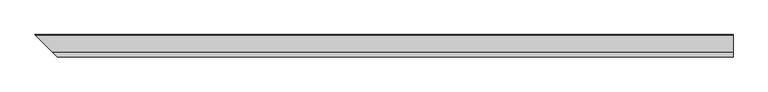
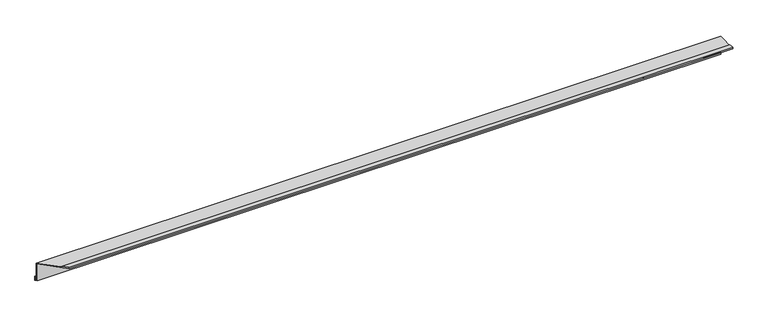
"""IFC4 building model written with IfcOpenShell, lengths in millimetres: proxy geometry."""

from ifc_helpers import new_model, si_unit, origin, place, context, project, spatial, faceted_brep, source, transform, mapped, element, save


def generic_models_9754076d(model_context):
    return source(origin(), model_context, "Body", "Brep", [
        faceted_brep([(2.0, -2.0, -45.0), (1510.0, -2.0, -45.0), (1510.0, -5.0, -45.0), (5.0, -5.0, -45.0), (2.0, -2.0, -35.0), (1510.0, -2.0, -35.0), (3.0, -3.0, -35.0), (1510.0, -3.0, -35.0), (3.0, -3.0, -44.0), (1510.0, -3.0, -44.0), (4.0, -4.0, -44.0), (1510.0, -4.0, -44.0), (4.0, -4.0, -4.0), (1510.0, -4.0, -4.0), (49.0, -49.0, -4.0), (1510.0, -49.0, -4.0), (49.0, -49.0, -3.0), (1510.0, -49.0, -3.0), (40.0, -40.0, -3.0), (1510.0, -40.0, -3.0), (40.0, -40.0, -2.0), (1510.0, -40.0, -2.0), (50.0, -50.0, -2.0), (1510.0, -50.0, -2.0), (50.0, -50.0, -5.0), (1510.0, -50.0, -5.0), (5.0, -5.0, -5.0), (1510.0, -5.0, -5.0)], [[[0, 1, 2, 3]], [[4, 5, 1, 0]], [[6, 7, 5, 4]], [[8, 9, 7, 6]], [[10, 11, 9, 8]], [[12, 13, 11, 10]], [[14, 15, 13, 12]], [[16, 17, 15, 14]], [[18, 19, 17, 16]], [[20, 21, 19, 18]], [[22, 23, 21, 20]], [[24, 25, 23, 22]], [[26, 27, 25, 24]], [[3, 2, 27, 26]], [[3, 26, 24, 22, 20, 18, 16, 14, 12, 10, 8, 6, 4, 0]], [[1, 5, 7, 9, 11, 13, 15, 17, 19, 21, 23, 25, 27, 2]]]),
    ])


if __name__ == "__main__":
    model = new_model("IFC4")
    model_context = context("Model", 3, world=origin())
    ifc_project = project(units=[si_unit("LENGTHUNIT", "METRE", prefix="MILLI")], contexts=[model_context])
    site = spatial("IfcSite", under=ifc_project)
    building = spatial("IfcBuilding", under=site)
    placement = place(None, origin())
    generic_models_shape = generic_models_9754076d(model_context)
    element("IfcBuildingElementProxy", 1, Name="Generic Models", at=placement, inside=building, context=model_context, shape_type="MappedRepresentation", body=[
        mapped(generic_models_shape, transform((0.0, 0.0, 0.0), x_axis=(1.0, 0.0, 0.0), y_axis=(0.0, 1.0, 0.0), z_axis=(0.0, 0.0, 1.0))),
    ])
    save(model, "model.ifc")
